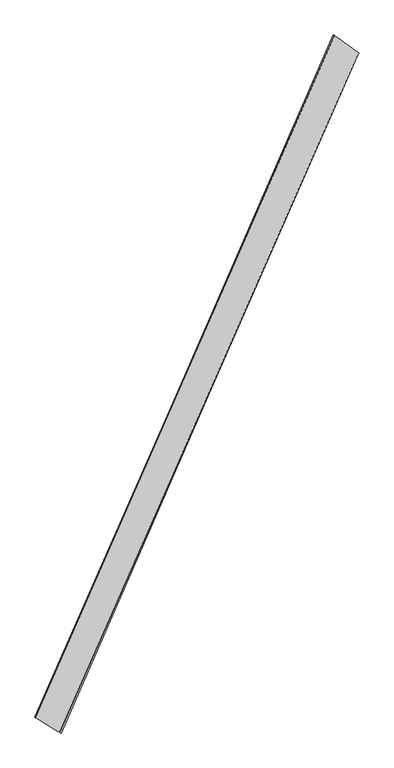
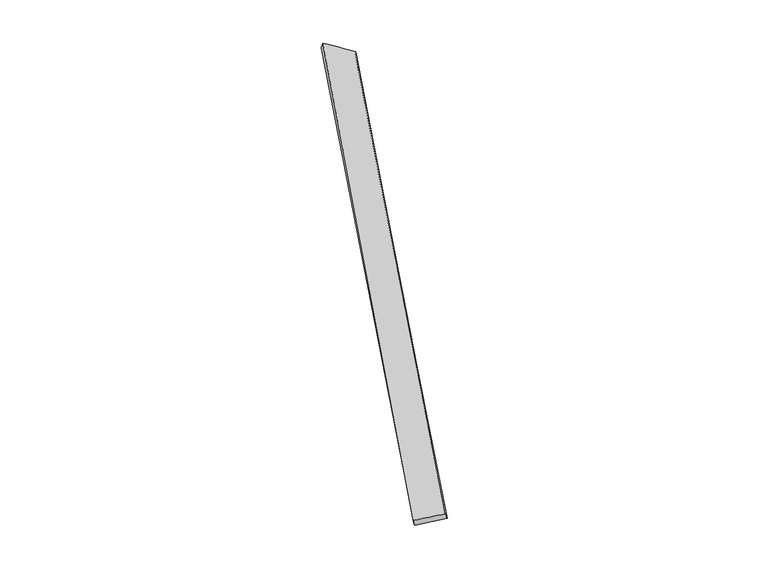
"""IFC4 building model written with IfcOpenShell, lengths in millimetres: proxy geometry."""

import ifcopenshell
import ifcopenshell.guid

model = None  # the IFC model being written
_history = None  # IfcOwnerHistory: only IFC2X3 demands one
_inside = {}  # id of a spatial element -> (the spatial element, [elements in it])
_under = {}  # id of a project, library or spatial element -> (it, [spatial elements below it])
_declared = {}  # id of a project -> (the project, [libraries it declares])
_typed = {}  # id of a type object -> (the type object, [elements of that type])
_made_of = {}  # id of a material, layer set ... -> (it, [elements and type objects made of it])


def new_model(schema):
    """Start an empty IFC model of exactly this schema.

    Asked for "IFC4X3", IfcOpenShell would pick the latest addendum, in which some entities
    have other attributes; the version numbers below select the first issue.
    IFC2X3 requires an IfcOwnerHistory on every rooted entity: one is made here for all.
    """
    global model, _history
    if schema == "IFC4X3":
        model = ifcopenshell.file(schema_version=(4, 3, 0, 0))
    else:
        model = ifcopenshell.file(schema=schema)
    _inside.clear()
    _under.clear()
    _declared.clear()
    _typed.clear()
    _made_of.clear()
    _history = None
    if model.schema == "IFC2X3":
        org = make("IfcOrganization", Name="unknown")
        user = make(
            "IfcPersonAndOrganization",
            ThePerson=make("IfcPerson", FamilyName="unknown"),
            TheOrganization=org,
        )
        app = make(
            "IfcApplication",
            ApplicationDeveloper=org,
            Version="unknown",
            ApplicationFullName="unknown",
            ApplicationIdentifier="unknown",
        )
        _history = make(
            "IfcOwnerHistory",
            OwningUser=user,
            OwningApplication=app,
            ChangeAction="ADDED",
            CreationDate=0,
        )
    return model


def make(cls, **values):
    """One entity of the class cls with the attributes given. An attribute that is None is left unset."""
    return model.create_entity(
        cls, **{name: value for name, value in values.items() if value is not None}
    )


def rooted(cls, **values):
    """An entity with a GlobalId (a new one), such as an element, a storey or a relation."""
    return make(cls, GlobalId=ifcopenshell.guid.new(), OwnerHistory=_history, **values)


def si_unit(unit_type, name, prefix=None):
    """IfcSIUnit, for example si_unit("LENGTHUNIT", "METRE", prefix="MILLI")."""
    return make("IfcSIUnit", UnitType=unit_type, Prefix=prefix, Name=name)


def assignment(units):
    """IfcUnitAssignment: the units of a project."""
    return None if units is None else make("IfcUnitAssignment", Units=units)


def point(xyz):
    """IfcCartesianPoint."""
    return None if xyz is None else make("IfcCartesianPoint", Coordinates=xyz)


def direction(xyz):
    """IfcDirection."""
    return None if xyz is None else make("IfcDirection", DirectionRatios=xyz)


def frame(location, z_axis=None, x_axis=None):
    """IfcAxis2Placement3D, a coordinate frame: its origin and axes. An axis left out is left unset."""
    return make(
        "IfcAxis2Placement3D",
        Location=point(location),
        Axis=direction(z_axis),
        RefDirection=direction(x_axis),
    )


def origin():
    """The frame at (0, 0, 0) with its axes left unset."""
    return frame((0.0, 0.0, 0.0))


def place(relative_to, where):
    """IfcLocalPlacement: puts the frame where relative to a parent placement (None: the world)."""
    return make(
        "IfcLocalPlacement", PlacementRelTo=relative_to, RelativePlacement=where
    )


def context(
    kind, dimensions, precision=None, world=None, true_north=None, identifier=None
):
    """IfcGeometricRepresentationContext, for example the 3D "Model" context."""
    return make(
        "IfcGeometricRepresentationContext",
        ContextIdentifier=identifier,
        ContextType=kind,
        CoordinateSpaceDimension=dimensions,
        Precision=precision,
        WorldCoordinateSystem=world,
        TrueNorth=true_north,
    )


def project(units=None, contexts=None):
    """IfcProject with its units and contexts."""
    return rooted(
        "IfcProject",
        Name="project",
        RepresentationContexts=contexts,
        UnitsInContext=assignment(units),
    )


def spatial(cls, under=None, at=None, **own):
    """A site, building, storey or space (cls), placed at a placement, below another one or the project."""
    s = rooted(cls, ObjectPlacement=at, **own)
    if under is not None:
        _under.setdefault(under.id(), (under, []))[1].append(s)
    return s


def shape(context_of_items, identifier, shape_type, items):
    """IfcShapeRepresentation: the items that make up one representation, for example the "Body"."""
    return make(
        "IfcShapeRepresentation",
        ContextOfItems=context_of_items,
        RepresentationIdentifier=identifier,
        RepresentationType=shape_type,
        Items=items,
    )


def source(mapping_origin, context_of_items, identifier, shape_type, items):
    """IfcRepresentationMap: a shape defined once, which mapped items show again and again."""
    return make(
        "IfcRepresentationMap",
        MappingOrigin=mapping_origin,
        MappedRepresentation=shape(context_of_items, identifier, shape_type, items),
    )


def transform(
    local_origin,
    x_axis=None,
    y_axis=None,
    z_axis=None,
    scale=None,
    scale2=None,
    scale3=None,
    uniform=True,
):
    """IfcCartesianTransformationOperator3D, or its non-uniform kind. x_axis, y_axis, z_axis: its Axis1, 2, 3."""
    if uniform:
        return make(
            "IfcCartesianTransformationOperator3D",
            Axis1=direction(x_axis),
            Axis2=direction(y_axis),
            LocalOrigin=point(local_origin),
            Scale=scale,
            Axis3=direction(z_axis),
        )
    return make(
        "IfcCartesianTransformationOperator3DnonUniform",
        Axis1=direction(x_axis),
        Axis2=direction(y_axis),
        LocalOrigin=point(local_origin),
        Scale=scale,
        Axis3=direction(z_axis),
        Scale2=scale2,
        Scale3=scale3,
    )


def mapped(mapping_source, mapping_target):
    """IfcMappedItem: shows the shape of a source again, moved by a transform."""
    return make(
        "IfcMappedItem", MappingSource=mapping_source, MappingTarget=mapping_target
    )


def made_of(thing, what):
    """Note that an element or type object is made of a material, layer set ...; save() writes the relation."""
    if what is not None:
        _made_of.setdefault(what.id(), (what, []))[1].append(thing)
    return thing


def element(
    cls,
    number,
    at=None,
    inside=None,
    cuts=None,
    type_object=None,
    material=None,
    context=None,
    identifier="Body",
    shape_type=None,
    held_by="IfcProductDefinitionShape",
    body=None,
    shapes=None,
    **own,
):
    """One element of the class cls, such as IfcWall. Its Tag is "e" and its number.

    at: its placement. inside: the storey or other place that contains it. cuts: it is an
    opening in that element (IfcRelVoidsElement). A single representation is given by context,
    identifier, shape_type and body (its items); several are given by shapes. held_by: the class
    of the entity that holds the representations. save() writes the other relations.
    """
    e = rooted(cls, Tag="e%d" % number, ObjectPlacement=at, **own)
    if body is not None:
        shapes = [shape(context, identifier, shape_type, body)]
    if shapes is not None:
        e.Representation = make(held_by, Representations=shapes)
    if inside is not None:
        _inside.setdefault(inside.id(), (inside, []))[1].append(e)
    if cuts is not None:
        rooted(
            "IfcRelVoidsElement", RelatingBuildingElement=cuts, RelatedOpeningElement=e
        )
    if type_object is not None:
        _typed.setdefault(type_object.id(), (type_object, []))[1].append(e)
    return made_of(e, material)


def aggregate(whole, parts):
    """IfcRelAggregates: a whole, such as a stair, and the parts it consists of."""
    return rooted("IfcRelAggregates", RelatingObject=whole, RelatedObjects=parts)


def save(model, path):
    """Write the relations noted so far, then the file.

    IfcRelAggregates (storeys below a building ...), IfcRelContainedInSpatialStructure (elements
    in a storey), IfcRelDefinesByType, IfcRelAssociatesMaterial and IfcRelDeclares: one each for
    every whole, place, type object, material and project.
    """
    for whole, parts in _under.values():
        aggregate(whole, parts)
    for where, things in _inside.values():
        rooted(
            "IfcRelContainedInSpatialStructure",
            RelatedElements=things,
            RelatingStructure=where,
        )
    for kind, things in _typed.values():
        rooted("IfcRelDefinesByType", RelatedObjects=things, RelatingType=kind)
    for what, things in _made_of.values():
        rooted("IfcRelAssociatesMaterial", RelatedObjects=things, RelatingMaterial=what)
    for by, libraries in _declared.values():
        rooted("IfcRelDeclares", RelatingContext=by, RelatedDefinitions=libraries)
    model.write(path)


def spline_surface(u_degree, v_degree, points, u_multiplicities, v_multiplicities, u_knots, v_knots, weights=None):
    """IfcBSplineSurfaceWithKnots; with weights, IfcRationalBSplineSurfaceWithKnots. points: one row for each step in u."""
    own = dict(
        UDegree=u_degree,
        VDegree=v_degree,
        ControlPointsList=[[point(p) for p in row] for row in points],
        SurfaceForm="UNSPECIFIED",
        UClosed=False,
        VClosed=False,
        SelfIntersect=False,
        UMultiplicities=u_multiplicities,
        VMultiplicities=v_multiplicities,
        UKnots=u_knots,
        VKnots=v_knots,
        KnotSpec="UNSPECIFIED",
    )
    if weights is None:
        return make("IfcBSplineSurfaceWithKnots", **own)
    return make("IfcRationalBSplineSurfaceWithKnots", WeightsData=weights, **own)


def advanced_brep(points, edges, surfaces, faces):
    """IfcAdvancedBrep: a solid bounded by faces that lie on surfaces and meet in shared edges.

    An edge is (start, end): straight between two places in points (the first is 0);
    or (start, end, curve); or (start, end, curve, False) where it runs against its curve.
    A face is (place in surfaces, loops), or (place, loops, False) where it looks against
    its surface's normal. A loop lists edges by number (the first is 1), with a minus sign
    where the edge is run from its end to its start. The first loop is the outer one.
    """
    corners = [point(p) for p in points]
    vertices = [make("IfcVertexPoint", VertexGeometry=c) for c in corners]
    made = []
    for start, end, *more in edges:
        made.append(
            make(
                "IfcEdgeCurve",
                EdgeStart=vertices[start],
                EdgeEnd=vertices[end],
                EdgeGeometry=more[0] if more else make("IfcPolyline", Points=[corners[start], corners[end]]),
                SameSense=more[1] if len(more) > 1 else True,
            )
        )
    hull = []
    for where, loops, *sense in faces:
        bounds = []
        for j, loop in enumerate(loops):
            ring = [make("IfcOrientedEdge", EdgeElement=made[abs(k) - 1], Orientation=k > 0) for k in loop]
            bounds.append(
                make(
                    "IfcFaceOuterBound" if j == 0 else "IfcFaceBound",
                    Bound=make("IfcEdgeLoop", EdgeList=ring),
                    Orientation=True,
                )
            )
        hull.append(make("IfcAdvancedFace", Bounds=bounds, FaceSurface=surfaces[where], SameSense=sense[0] if sense else True))
    return make("IfcAdvancedBrep", Outer=make("IfcClosedShell", CfsFaces=hull))


def generic_models_c7e7b924(model_context):
    return source(origin(), model_context, "Body", "AdvancedBrep", [
        advanced_brep(
        [(-681.2025097, -1725.7130245, 21.3385023), (-673.1533415, -1729.580151, -7.3016133), (960.4664784, 2019.4028809, -50.1370871), (966.6874111, 2016.9938414, -20.8882149), (-811.4801416, -1645.8500894, -50.5339573), (824.7633873, 2115.7617995, -8.0203078), (-817.6676038, -1643.4599319, -21.2764376), (832.1827024, 2112.1791149, 20.8261502)],
        [
            (0, 1),
            (1, 2),
            (2, 3),
            (3, 0),
            (1, 4),
            (4, 5),
            (5, 2),
            (4, 6),
            (6, 7),
            (7, 5),
            (6, 0),
            (3, 7),
        ],
        [
            spline_surface(1, 1, [[(-681.2025097, -1725.7130245, 21.3385023), (966.6874111, 2016.9938414, -20.8882149)], [(-673.1533415, -1729.580151, -7.3016133), (960.4664784, 2019.4028809, -50.1370871)]], [2, 2], [2, 2], [0.0, 1.0], [0.0, 1.0]),
            spline_surface(1, 1, [[(-673.1533415, -1729.580151, -7.3016133), (960.4664784, 2019.4028809, -50.1370871)], [(-811.4801416, -1645.8500894, -50.5339573), (824.7633873, 2115.7617995, -8.0203078)]], [2, 2], [2, 2], [0.0, 1.0], [0.0, 1.0]),
            spline_surface(1, 1, [[(-811.4801416, -1645.8500894, -50.5339573), (824.7633873, 2115.7617995, -8.0203078)], [(-817.6676038, -1643.4599319, -21.2764376), (832.1827024, 2112.1791149, 20.8261502)]], [2, 2], [2, 2], [0.0, 1.0], [0.0, 1.0]),
            spline_surface(1, 1, [[(-817.6676038, -1643.4599319, -21.2764376), (832.1827024, 2112.1791149, 20.8261502)], [(-681.2025097, -1725.7130245, 21.3385023), (966.6874111, 2016.9938414, -20.8882149)]], [2, 2], [2, 2], [0.0, 1.0], [0.0, 1.0]),
            spline_surface(1, 1, [[(960.4664784, 2019.4028809, -50.1370871), (966.6874111, 2016.9938414, -20.8882149)], [(824.7633873, 2115.7617995, -8.0203078), (832.1827024, 2112.1791149, 20.8261502)]], [2, 2], [2, 2], [0.0, 1.0], [0.0, 1.0]),
            spline_surface(1, 1, [[(-817.6676038, -1643.4599319, -21.2764376), (-681.2025097, -1725.7130245, 21.3385023)], [(-811.4801416, -1645.8500894, -50.5339573), (-673.1533415, -1729.580151, -7.3016133)]], [2, 2], [2, 2], [0.0, 1.0], [0.0, 1.0]),
        ],
        [
            (0, [[1, 2, 3, 4]]),
            (1, [[5, 6, 7, -2]]),
            (2, [[8, 9, 10, -6]]),
            (3, [[11, -4, 12, -9]]),
            (4, [[-3, -7, -10, -12]]),
            (5, [[-11, -8, -5, -1]]),
        ],
    ),
    ])


if __name__ == "__main__":
    model = new_model("IFC4")
    model_context = context("Model", 3, world=origin())
    ifc_project = project(units=[si_unit("LENGTHUNIT", "METRE", prefix="MILLI")], contexts=[model_context])
    site = spatial("IfcSite", under=ifc_project)
    building = spatial("IfcBuilding", under=site)
    placement = place(None, origin())
    generic_models_shape = generic_models_c7e7b924(model_context)
    element("IfcBuildingElementProxy", 1, Name="Generic Models", at=placement, inside=building, context=model_context, shape_type="MappedRepresentation", body=[
        mapped(generic_models_shape, transform((0.0, 0.0, 0.0), x_axis=(1.0, 0.0, 0.0), y_axis=(0.0, 1.0, 0.0), z_axis=(0.0, 0.0, 1.0))),
    ])
    save(model, "model.ifc")
